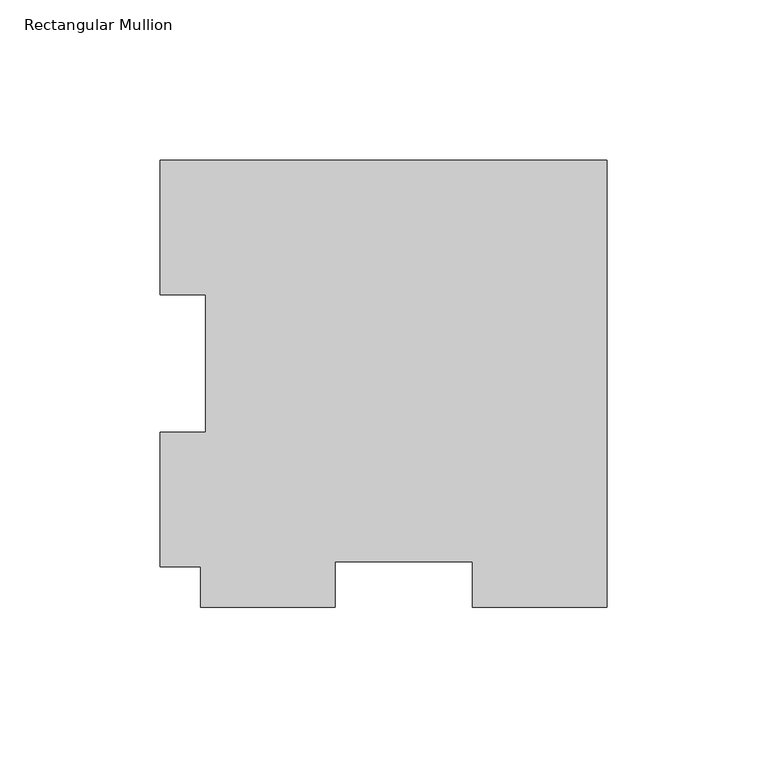
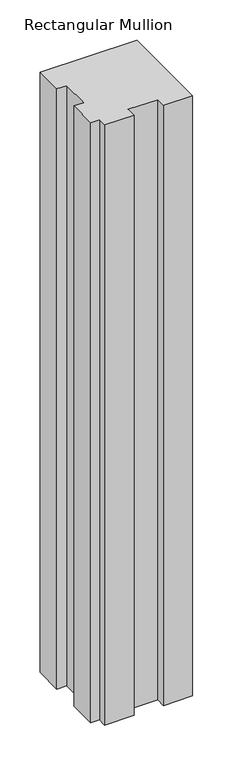
"""IFC4 building model written with IfcOpenShell, lengths in millimetres: member geometry, Rectangular Mullion."""

from ifc_helpers import new_model, si_unit, frame, origin, place, context, project, spatial, polyline, outline, extrude, source, transform, mapped, element, save


def rectangular_mullion_a94f79b0(model_context):
    return source(origin(), model_context, "Body", "SweptSolid", [
        extrude(outline(polyline([(-139.7, 126.7086938), (0.0, 126.7086938), (0.0, -12.9913062), (-42.0751, -12.9913062), (-42.0751, 1.2961938), (-84.9249, 1.2961938), (-84.9249, -12.9913062), (-127.0, -12.9913062), (-127.0, -0.2913062), (-139.7, -0.2913062), (-139.7, 41.7837938), (-125.4125, 41.7837938), (-125.4125, 84.6335937), (-139.7, 84.6335937), (-139.7, 126.7086938)])), frame((0.0, 0.0, -914.4), z_axis=(0.0, 0.0, 1.0), x_axis=(1.0, 0.0, 0.0)), (0.0, 0.0, 1.0), 914.4),
    ])


if __name__ == "__main__":
    model = new_model("IFC4")
    model_context = context("Model", 3, world=origin())
    ifc_project = project(units=[si_unit("LENGTHUNIT", "METRE", prefix="MILLI")], contexts=[model_context])
    site = spatial("IfcSite", under=ifc_project)
    building = spatial("IfcBuilding", under=site)
    placement = place(None, origin())
    rectangular_mullion_shape = rectangular_mullion_a94f79b0(model_context)
    element("IfcMember", 1, ObjectType="Rectangular Mullion", at=placement, inside=building, context=model_context, shape_type="MappedRepresentation", body=[
        mapped(rectangular_mullion_shape, transform((0.0, 0.0, 0.0), x_axis=(1.0, 0.0, 0.0), y_axis=(0.0, 1.0, 0.0), z_axis=(0.0, 0.0, 1.0))),
    ])
    save(model, "model.ifc")
